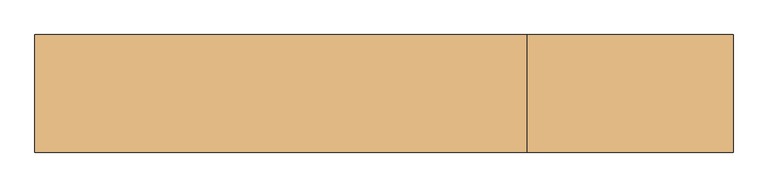
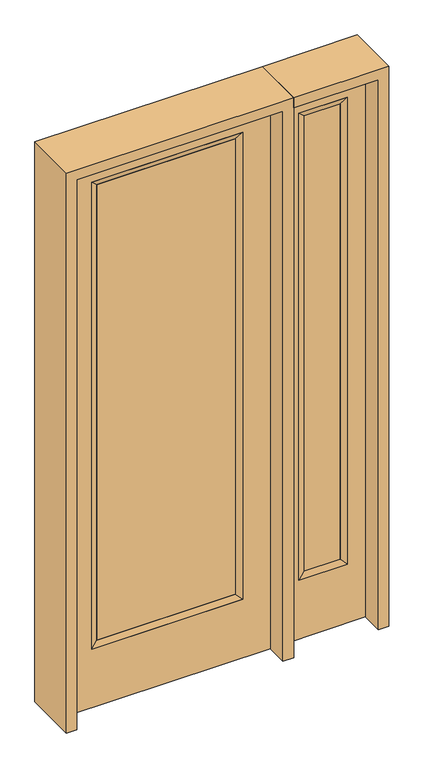
"""IFC4 building model written with IfcOpenShell, lengths in millimetres: door geometry."""

from ifc_helpers import new_model, si_unit, frame, origin, place, context, project, spatial, polyline, outline, extrude, faceted_brep, source, transform, mapped, element, save


def door_7cfc992f(model_context):
    return source(origin(), model_context, "Body", "SolidModel", [
        extrude(outline(polyline([(290.9824, -12.7039749), (-290.9824, -12.7039749), (-290.9824, 14.2875), (290.9824, 14.2875), (290.9824, -12.7039749)])), frame((0.0, 0.0, 285.75), z_axis=(0.0, 0.0, 1.0), x_axis=(1.0, 0.0, 0.0)), (0.0, 0.0, 1.0), 2019.3),
        faceted_brep([(290.9824, 14.2875, 2305.05), (316.3824, 22.225, 2330.45), (316.3824, 22.225, 260.35), (290.9824, 14.2875, 285.75), (316.3824, -22.225, 2330.45), (316.3824, -22.225, 260.35), (-316.3824, 22.225, 260.35), (-290.9824, 14.2875, 285.75), (290.9824, -12.7039749, 2305.05), (290.9824, -12.7039749, 285.75), (-290.9824, -12.7039749, 285.75), (-316.3824, -22.225, 260.35), (-316.3824, 22.225, 2330.45), (-290.9824, 14.2875, 2305.05), (-290.9824, -12.7039749, 2305.05), (-316.3824, -22.225, 2330.45)], [[[0, 1, 2, 3]], [[1, 4, 5, 2]], [[3, 2, 6, 7]], [[8, 0, 3, 9]], [[9, 3, 7, 10]], [[4, 8, 9, 5]], [[5, 9, 10, 11]], [[2, 5, 11, 6]], [[7, 6, 12, 13]], [[10, 7, 13, 14]], [[11, 10, 14, 15]], [[6, 11, 15, 12]], [[13, 12, 1, 0]], [[14, 13, 0, 8]], [[15, 14, 8, 4]], [[12, 15, 4, 1]]]),
        extrude(outline(polyline([(0.0, -431.8), (0.0, 431.8), (2438.4, 431.8), (2438.4, -431.8), (0.0, -431.8)]), holes=[polyline([(260.35, -316.3824), (2330.45, -316.3824), (2330.45, 316.3824), (260.35, 316.3824), (260.35, -316.3824)])]), frame((0.0, -22.225, 0.0), z_axis=(0.0, 1.0, 0.0), x_axis=(0.0, 0.0, 1.0)), (0.0, 0.0, 1.0), 44.45),
        faceted_brep([(552.45, 20.6375, 2330.45), (552.45, 20.6375, 260.35), (552.45, -20.6375, 260.35), (552.45, -20.6375, 2330.45), (577.85, -12.7, 285.75), (577.85, -12.7, 2305.05), (755.65, 20.6375, 260.35), (755.65, -20.6375, 260.35), (577.85, 12.7, 2305.05), (577.85, 12.7, 285.75), (730.25, 12.7, 285.75), (730.25, -12.7, 285.75), (755.65, 20.6375, 2330.45), (755.65, -20.6375, 2330.45), (730.25, 12.7, 2305.05), (730.25, -12.7, 2305.05)], [[[0, 1, 2, 3]], [[3, 2, 4, 5]], [[1, 6, 7, 2]], [[8, 9, 1, 0]], [[9, 10, 6, 1]], [[5, 4, 9, 8]], [[4, 11, 10, 9]], [[2, 7, 11, 4]], [[6, 12, 13, 7]], [[10, 14, 12, 6]], [[11, 15, 14, 10]], [[7, 13, 15, 11]], [[12, 0, 3, 13]], [[14, 8, 0, 12]], [[15, 5, 8, 14]], [[13, 3, 5, 15]]]),
        extrude(outline(polyline([(0.0, 831.85), (2438.4, 831.85), (2438.4, 476.25), (0.0, 476.25), (0.0, 831.85)]), holes=[polyline([(2330.45, 552.45), (2330.45, 755.65), (260.35, 755.65), (260.35, 552.45), (2330.45, 552.45)])]), frame((0.0, -20.6375, 0.0), z_axis=(0.0, 1.0, 0.0), x_axis=(0.0, 0.0, 1.0)), (0.0, 0.0, 1.0), 41.275),
        extrude(outline(polyline([(577.85, -12.7), (577.85, 12.7), (730.25, 12.7), (730.25, -12.7), (577.85, -12.7)])), frame((0.0, 0.0, 284.95625), z_axis=(0.0, 0.0, 1.0), x_axis=(1.0, 0.0, 0.0)), (0.0, 0.0, 1.0), 2020.09375),
        extrude(outline(polyline([(2482.85, -476.25), (0.0, -476.25), (0.0, -431.8), (2438.4, -431.8), (2438.4, 431.8), (0.0, 431.8), (0.0, 476.25), (2482.85, 476.25), (2482.85, -476.25)])), frame((0.0, -114.3, 0.0), z_axis=(0.0, 1.0, 0.0), x_axis=(0.0, 0.0, 1.0)), (0.0, 0.0, 1.0), 228.6),
        extrude(outline(polyline([(0.0, 831.85), (0.0, 876.3), (2482.85, 876.3), (2482.85, 476.25), (2438.4, 476.25), (2438.4, 831.85), (0.0, 831.85)])), frame((0.0, -114.3, 0.0), z_axis=(0.0, 1.0, 0.0), x_axis=(0.0, 0.0, 1.0)), (0.0, 0.0, 1.0), 228.6),
    ])


if __name__ == "__main__":
    model = new_model("IFC4")
    model_context = context("Model", 3, world=origin())
    ifc_project = project(units=[si_unit("LENGTHUNIT", "METRE", prefix="MILLI")], contexts=[model_context])
    site = spatial("IfcSite", under=ifc_project)
    building = spatial("IfcBuilding", under=site)
    placement = place(None, origin())
    door_shape = door_7cfc992f(model_context)
    element("IfcDoor", 1, at=placement, inside=building, context=model_context, shape_type="MappedRepresentation", body=[
        mapped(door_shape, transform((0.0, 0.0, 0.0), x_axis=(1.0, 0.0, 0.0), y_axis=(0.0, 1.0, 0.0), z_axis=(0.0, 0.0, 1.0))),
    ])
    save(model, "model.ifc")
